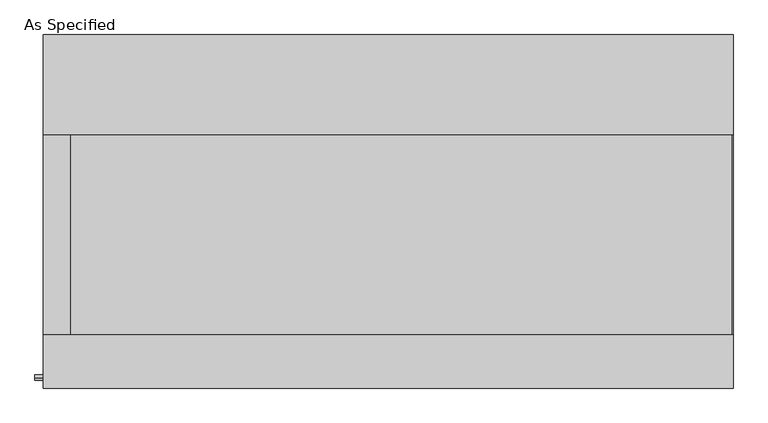
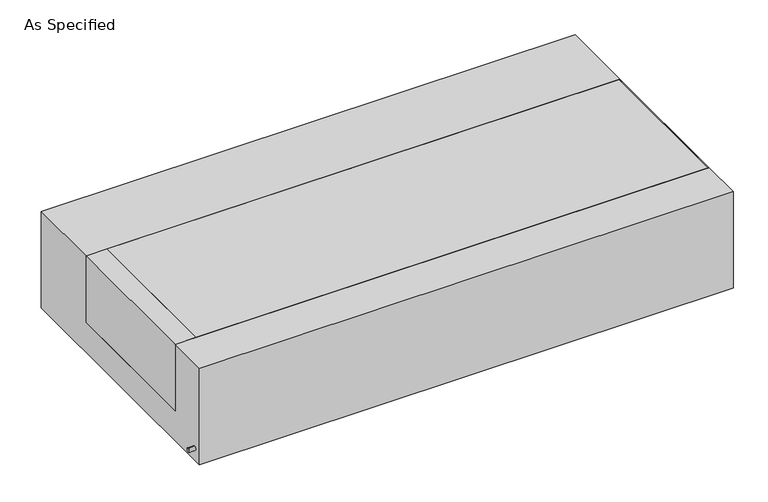
"""IFC4 building model written with IfcOpenShell, lengths in millimetres: proxy geometry, As Specified."""

from ifc_helpers import new_model, si_unit, point, frame, frame_2d, origin, place, context, project, spatial, polyline, circle_curve, trimmed, segment, composite_curve, outline, extrude, source, transform, mapped, element, save


def as_specified_b13240ec(model_context):
    return source(origin(), model_context, "Body", "SweptSolid", [
        extrude(outline(composite_curve([segment(trimmed(circle_curve(frame_2d((-636.5875, -466.725)), 10.5), [point((-636.5875, -456.225))], [point((-636.5875, -477.225))], False, "CARTESIAN"), True, "CONTINUOUS"), segment(trimmed(circle_curve(frame_2d((-636.5875, -466.725)), 10.5), [point((-636.5875, -477.225))], [point((-636.5875, -456.225))], False, "CARTESIAN"), True, "CONTINUOUS")], self_intersect=False)), frame((-1351.0528384, 0.0, 0.0), z_axis=(1.0, 0.0, 0.0), x_axis=(0.0, 1.0, 0.0)), (0.0, 0.0, 1.0), 31.8403384),
        extrude(outline(polyline([(-1216.81875, 292.1), (-1216.81875, -469.9), (-1319.2125, -469.9), (-1319.2125, 292.1), (-1216.81875, 292.1)])), frame((0.0, 0.0, -373.0625), z_axis=(0.0, 0.0, 1.0), x_axis=(1.0, 0.0, 0.0)), (0.0, 0.0, 1.0), 347.6625),
        extrude(outline(polyline([(1315.24375, 292.1), (1319.2125, 292.1), (1319.2125, -469.9), (1315.24375, -469.9), (1315.24375, 292.1)])), frame((0.0, 0.0, -39.6875), z_axis=(0.0, 0.0, 1.0), x_axis=(1.0, 0.0, 0.0)), (0.0, 0.0, 1.0), 14.2875),
        extrude(outline(polyline([(1319.2125, 292.1), (1319.2125, -469.9), (-1216.81875, -469.9), (-1216.81875, 292.1), (1319.2125, 292.1)])), frame((0.0, 0.0, -373.0625), z_axis=(0.0, 0.0, 1.0), x_axis=(1.0, 0.0, 0.0)), (0.0, 0.0, 1.0), 347.6625),
        extrude(outline(polyline([(676.275, -25.4), (676.275, -530.225), (-676.275, -530.225), (-676.275, -25.4), (-469.9, -25.4), (-469.9, -373.0625), (292.1, -373.0625), (292.1, -25.4), (676.275, -25.4)])), frame((-1319.2125, 0.0, 0.0), z_axis=(1.0, 0.0, 0.0), x_axis=(0.0, 1.0, 0.0)), (0.0, 0.0, 1.0), 2638.425),
    ])


if __name__ == "__main__":
    model = new_model("IFC4")
    model_context = context("Model", 3, world=origin())
    ifc_project = project(units=[si_unit("LENGTHUNIT", "METRE", prefix="MILLI")], contexts=[model_context])
    site = spatial("IfcSite", under=ifc_project)
    building = spatial("IfcBuilding", under=site)
    placement = place(None, origin())
    as_specified_shape = as_specified_b13240ec(model_context)
    element("IfcBuildingElementProxy", 1, Name="As Specified", ObjectType="As Specified", at=placement, inside=building, context=model_context, shape_type="MappedRepresentation", body=[
        mapped(as_specified_shape, transform((0.0, 0.0, 0.0), x_axis=(1.0, 0.0, 0.0), y_axis=(0.0, 1.0, 0.0), z_axis=(0.0, 0.0, 1.0))),
    ])
    save(model, "model.ifc")
